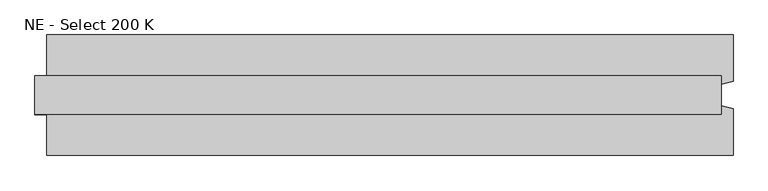
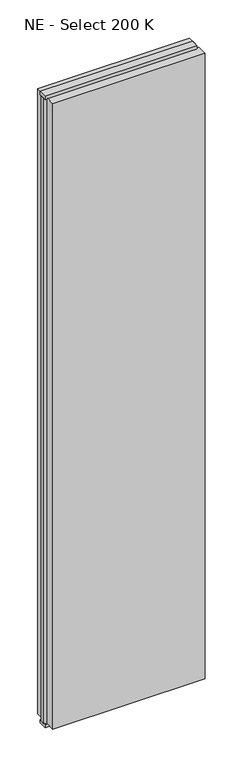
"""IFC4 building model written with IfcOpenShell, lengths in millimetres: plate geometry, NE - Select 200 K."""

from ifc_helpers import new_model, si_unit, frame, origin, origin_with_axes, place, context, project, spatial, polyline, outline, extrude, source, transform, mapped, element, save


def ne_select_200_k_5649ecf5(model_context):
    return source(origin(), model_context, "Body", "SweptSolid", [
        extrude(outline(polyline([(590.5, 100.0), (590.5, 22.9993165), (570.5, 17.6401049), (570.5, -17.6401049), (590.5, -22.9993165), (590.5, -100.0), (-550.5, -100.0), (-550.5, -22.9993165), (-570.5, -17.6401049), (-570.5, 17.6401049), (-550.5, 22.9993165), (-550.5, 100.0), (590.5, 100.0)])), frame((0.0, 0.0, 25.0), z_axis=(0.0, 0.0, 1.0), x_axis=(1.0, 0.0, 0.0)), (0.0, 0.0, 1.0), 4950.0),
        extrude(outline(polyline([(570.5, 32.0), (570.5, -32.0), (-570.5, -32.0), (-570.5, 32.0), (570.5, 32.0)])), origin_with_axes(), (0.0, 0.0, 1.0), 25.0),
        extrude(outline(polyline([(570.5, 32.0), (570.5, -32.0), (-570.5, -32.0), (-570.5, 32.0), (570.5, 32.0)])), frame((0.0, 0.0, 4975.0), z_axis=(0.0, 0.0, 1.0), x_axis=(1.0, 0.0, 0.0)), (0.0, 0.0, 1.0), 25.0),
    ])


if __name__ == "__main__":
    model = new_model("IFC4")
    model_context = context("Model", 3, world=origin())
    ifc_project = project(units=[si_unit("LENGTHUNIT", "METRE", prefix="MILLI")], contexts=[model_context])
    site = spatial("IfcSite", under=ifc_project)
    building = spatial("IfcBuilding", under=site)
    placement = place(None, origin())
    ne_select_200_k_shape = ne_select_200_k_5649ecf5(model_context)
    element("IfcPlate", 1, ObjectType="NE - Select 200 K", at=placement, inside=building, context=model_context, shape_type="MappedRepresentation", body=[
        mapped(ne_select_200_k_shape, transform((0.0, 0.0, 0.0), x_axis=(1.0, 0.0, 0.0), y_axis=(0.0, 1.0, 0.0), z_axis=(0.0, 0.0, 1.0))),
    ])
    save(model, "model.ifc")
